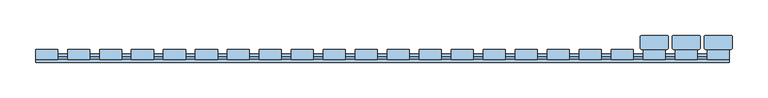
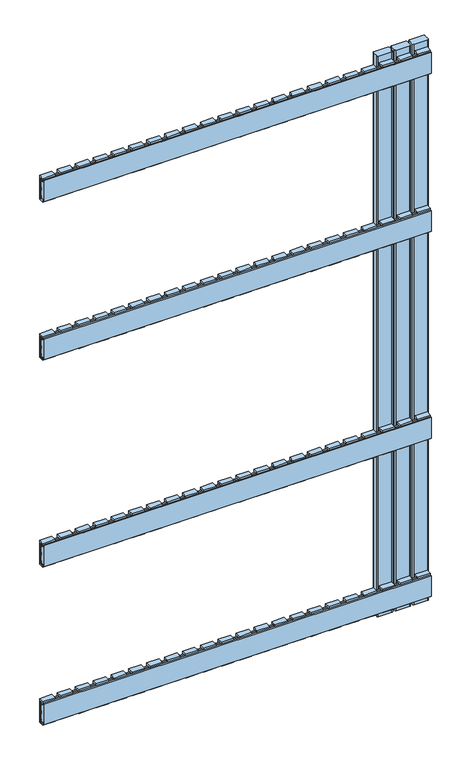
"""IFC4 building model written with IfcOpenShell, lengths in millimetres: window geometry."""

from ifc_helpers import new_model, si_unit, point, frame, frame_2d, origin, place, context, project, spatial, polyline, circle_curve, trimmed, segment, composite_curve, outline, extrude, source, transform, mapped, element, save


def window_9377d5c1(model_context):
    return source(origin(), model_context, "Body", "SweptSolid", [
        extrude(outline(polyline([(24.0, 1147.5936804), (19.8, 1147.5936804), (19.8, 1143.5936804), (16.0, 1143.5936804), (16.0, 1151.5), (29.9, 1151.5), (29.9, 1088.5), (16.0, 1088.5), (16.0, 1096.4063196), (19.8, 1096.4063196), (19.8, 1092.4063196), (24.0, 1092.4063196), (24.0, 1147.5936804)])), frame((412.0, 0.0, 0.0), z_axis=(1.0, 0.0, 0.0), x_axis=(0.0, 1.0, 0.0)), (0.0, 0.0, 1.0), 31.0),
        extrude(outline(polyline([(24.0, 597.5936804), (19.8, 597.5936804), (19.8, 593.5936804), (16.0, 593.5936804), (16.0, 601.5), (29.9, 601.5), (29.9, 538.5), (16.0, 538.5), (16.0, 546.4063196), (19.8, 546.4063196), (19.8, 542.4063196), (24.0, 542.4063196), (24.0, 597.5936804)])), frame((412.0, 0.0, 0.0), z_axis=(1.0, 0.0, 0.0), x_axis=(0.0, 1.0, 0.0)), (0.0, 0.0, 1.0), 31.0),
        extrude(outline(polyline([(24.0, 1512.9063196), (24.0, 1568.0936804), (19.8, 1568.0936804), (19.8, 1564.0936804), (16.0, 1564.0936804), (16.0, 1572.0), (29.9, 1572.0), (29.9, 1509.0), (16.0, 1509.0), (16.0, 1516.9063196), (19.8, 1516.9063196), (19.8, 1512.9063196), (24.0, 1512.9063196)])), frame((412.0, 0.0, 0.0), z_axis=(1.0, 0.0, 0.0), x_axis=(0.0, 1.0, 0.0)), (0.0, 0.0, 1.0), 31.0),
        extrude(outline(polyline([(24.0, 177.0936804), (19.8, 177.0936804), (19.8, 173.0936804), (16.0, 173.0936804), (16.0, 181.0), (29.9, 181.0), (29.9, 118.0), (16.0, 118.0), (16.0, 125.9063196), (19.8, 125.9063196), (19.8, 121.9063196), (24.0, 121.9063196), (24.0, 177.0936804)])), frame((412.0, 0.0, 0.0), z_axis=(1.0, 0.0, 0.0), x_axis=(0.0, 1.0, 0.0)), (0.0, 0.0, 1.0), 31.0),
        extrude(outline(polyline([(24.0, 1147.5936804), (19.8, 1147.5936804), (19.8, 1143.5936804), (16.0, 1143.5936804), (16.0, 1151.5), (29.9, 1151.5), (29.9, 1088.5), (16.0, 1088.5), (16.0, 1096.4063196), (19.8, 1096.4063196), (19.8, 1092.4063196), (24.0, 1092.4063196), (24.0, 1147.5936804)])), frame((367.0, 0.0, 0.0), z_axis=(1.0, 0.0, 0.0), x_axis=(0.0, 1.0, 0.0)), (0.0, 0.0, 1.0), 31.0),
        extrude(outline(polyline([(24.0, 597.5936804), (19.8, 597.5936804), (19.8, 593.5936804), (16.0, 593.5936804), (16.0, 601.5), (29.9, 601.5), (29.9, 538.5), (16.0, 538.5), (16.0, 546.4063196), (19.8, 546.4063196), (19.8, 542.4063196), (24.0, 542.4063196), (24.0, 597.5936804)])), frame((367.0, 0.0, 0.0), z_axis=(1.0, 0.0, 0.0), x_axis=(0.0, 1.0, 0.0)), (0.0, 0.0, 1.0), 31.0),
        extrude(outline(polyline([(24.0, 1512.9063196), (24.0, 1568.0936804), (19.8, 1568.0936804), (19.8, 1564.0936804), (16.0, 1564.0936804), (16.0, 1572.0), (29.9, 1572.0), (29.9, 1509.0), (16.0, 1509.0), (16.0, 1516.9063196), (19.8, 1516.9063196), (19.8, 1512.9063196), (24.0, 1512.9063196)])), frame((367.0, 0.0, 0.0), z_axis=(1.0, 0.0, 0.0), x_axis=(0.0, 1.0, 0.0)), (0.0, 0.0, 1.0), 31.0),
        extrude(outline(polyline([(24.0, 177.0936804), (19.8, 177.0936804), (19.8, 173.0936804), (16.0, 173.0936804), (16.0, 181.0), (29.9, 181.0), (29.9, 118.0), (16.0, 118.0), (16.0, 125.9063196), (19.8, 125.9063196), (19.8, 121.9063196), (24.0, 121.9063196), (24.0, 177.0936804)])), frame((367.0, 0.0, 0.0), z_axis=(1.0, 0.0, 0.0), x_axis=(0.0, 1.0, 0.0)), (0.0, 0.0, 1.0), 31.0),
        extrude(outline(polyline([(24.0, 1147.5936804), (19.8, 1147.5936804), (19.8, 1143.5936804), (16.0, 1143.5936804), (16.0, 1151.5), (29.9, 1151.5), (29.9, 1088.5), (16.0, 1088.5), (16.0, 1096.4063196), (19.8, 1096.4063196), (19.8, 1092.4063196), (24.0, 1092.4063196), (24.0, 1147.5936804)])), frame((322.0, 0.0, 0.0), z_axis=(1.0, 0.0, 0.0), x_axis=(0.0, 1.0, 0.0)), (0.0, 0.0, 1.0), 31.0),
        extrude(outline(polyline([(24.0, 597.5936804), (19.8, 597.5936804), (19.8, 593.5936804), (16.0, 593.5936804), (16.0, 601.5), (29.9, 601.5), (29.9, 538.5), (16.0, 538.5), (16.0, 546.4063196), (19.8, 546.4063196), (19.8, 542.4063196), (24.0, 542.4063196), (24.0, 597.5936804)])), frame((322.0, 0.0, 0.0), z_axis=(1.0, 0.0, 0.0), x_axis=(0.0, 1.0, 0.0)), (0.0, 0.0, 1.0), 31.0),
        extrude(outline(polyline([(24.0, 1512.9063196), (24.0, 1568.0936804), (19.8, 1568.0936804), (19.8, 1564.0936804), (16.0, 1564.0936804), (16.0, 1572.0), (29.9, 1572.0), (29.9, 1509.0), (16.0, 1509.0), (16.0, 1516.9063196), (19.8, 1516.9063196), (19.8, 1512.9063196), (24.0, 1512.9063196)])), frame((322.0, 0.0, 0.0), z_axis=(1.0, 0.0, 0.0), x_axis=(0.0, 1.0, 0.0)), (0.0, 0.0, 1.0), 31.0),
        extrude(outline(polyline([(24.0, 177.0936804), (19.8, 177.0936804), (19.8, 173.0936804), (16.0, 173.0936804), (16.0, 181.0), (29.9, 181.0), (29.9, 118.0), (16.0, 118.0), (16.0, 125.9063196), (19.8, 125.9063196), (19.8, 121.9063196), (24.0, 121.9063196), (24.0, 177.0936804)])), frame((322.0, 0.0, 0.0), z_axis=(1.0, 0.0, 0.0), x_axis=(0.0, 1.0, 0.0)), (0.0, 0.0, 1.0), 31.0),
        extrude(outline(polyline([(24.0, 1147.5936804), (19.8, 1147.5936804), (19.8, 1143.5936804), (16.0, 1143.5936804), (16.0, 1151.5), (29.9, 1151.5), (29.9, 1088.5), (16.0, 1088.5), (16.0, 1096.4063196), (19.8, 1096.4063196), (19.8, 1092.4063196), (24.0, 1092.4063196), (24.0, 1147.5936804)])), frame((277.0, 0.0, 0.0), z_axis=(1.0, 0.0, 0.0), x_axis=(0.0, 1.0, 0.0)), (0.0, 0.0, 1.0), 31.0),
        extrude(outline(polyline([(24.0, 597.5936804), (19.8, 597.5936804), (19.8, 593.5936804), (16.0, 593.5936804), (16.0, 601.5), (29.9, 601.5), (29.9, 538.5), (16.0, 538.5), (16.0, 546.4063196), (19.8, 546.4063196), (19.8, 542.4063196), (24.0, 542.4063196), (24.0, 597.5936804)])), frame((277.0, 0.0, 0.0), z_axis=(1.0, 0.0, 0.0), x_axis=(0.0, 1.0, 0.0)), (0.0, 0.0, 1.0), 31.0),
        extrude(outline(polyline([(24.0, 1512.9063196), (24.0, 1568.0936804), (19.8, 1568.0936804), (19.8, 1564.0936804), (16.0, 1564.0936804), (16.0, 1572.0), (29.9, 1572.0), (29.9, 1509.0), (16.0, 1509.0), (16.0, 1516.9063196), (19.8, 1516.9063196), (19.8, 1512.9063196), (24.0, 1512.9063196)])), frame((277.0, 0.0, 0.0), z_axis=(1.0, 0.0, 0.0), x_axis=(0.0, 1.0, 0.0)), (0.0, 0.0, 1.0), 31.0),
        extrude(outline(polyline([(24.0, 177.0936804), (19.8, 177.0936804), (19.8, 173.0936804), (16.0, 173.0936804), (16.0, 181.0), (29.9, 181.0), (29.9, 118.0), (16.0, 118.0), (16.0, 125.9063196), (19.8, 125.9063196), (19.8, 121.9063196), (24.0, 121.9063196), (24.0, 177.0936804)])), frame((277.0, 0.0, 0.0), z_axis=(1.0, 0.0, 0.0), x_axis=(0.0, 1.0, 0.0)), (0.0, 0.0, 1.0), 31.0),
        extrude(outline(polyline([(24.0, 1147.5936804), (19.8, 1147.5936804), (19.8, 1143.5936804), (16.0, 1143.5936804), (16.0, 1151.5), (29.9, 1151.5), (29.9, 1088.5), (16.0, 1088.5), (16.0, 1096.4063196), (19.8, 1096.4063196), (19.8, 1092.4063196), (24.0, 1092.4063196), (24.0, 1147.5936804)])), frame((232.0, 0.0, 0.0), z_axis=(1.0, 0.0, 0.0), x_axis=(0.0, 1.0, 0.0)), (0.0, 0.0, 1.0), 31.0),
        extrude(outline(polyline([(24.0, 597.5936804), (19.8, 597.5936804), (19.8, 593.5936804), (16.0, 593.5936804), (16.0, 601.5), (29.9, 601.5), (29.9, 538.5), (16.0, 538.5), (16.0, 546.4063196), (19.8, 546.4063196), (19.8, 542.4063196), (24.0, 542.4063196), (24.0, 597.5936804)])), frame((232.0, 0.0, 0.0), z_axis=(1.0, 0.0, 0.0), x_axis=(0.0, 1.0, 0.0)), (0.0, 0.0, 1.0), 31.0),
        extrude(outline(polyline([(24.0, 1512.9063196), (24.0, 1568.0936804), (19.8, 1568.0936804), (19.8, 1564.0936804), (16.0, 1564.0936804), (16.0, 1572.0), (29.9, 1572.0), (29.9, 1509.0), (16.0, 1509.0), (16.0, 1516.9063196), (19.8, 1516.9063196), (19.8, 1512.9063196), (24.0, 1512.9063196)])), frame((232.0, 0.0, 0.0), z_axis=(1.0, 0.0, 0.0), x_axis=(0.0, 1.0, 0.0)), (0.0, 0.0, 1.0), 31.0),
        extrude(outline(polyline([(24.0, 177.0936804), (19.8, 177.0936804), (19.8, 173.0936804), (16.0, 173.0936804), (16.0, 181.0), (29.9, 181.0), (29.9, 118.0), (16.0, 118.0), (16.0, 125.9063196), (19.8, 125.9063196), (19.8, 121.9063196), (24.0, 121.9063196), (24.0, 177.0936804)])), frame((232.0, 0.0, 0.0), z_axis=(1.0, 0.0, 0.0), x_axis=(0.0, 1.0, 0.0)), (0.0, 0.0, 1.0), 31.0),
        extrude(outline(polyline([(24.0, 1147.5936804), (19.8, 1147.5936804), (19.8, 1143.5936804), (16.0, 1143.5936804), (16.0, 1151.5), (29.9, 1151.5), (29.9, 1088.5), (16.0, 1088.5), (16.0, 1096.4063196), (19.8, 1096.4063196), (19.8, 1092.4063196), (24.0, 1092.4063196), (24.0, 1147.5936804)])), frame((187.0, 0.0, 0.0), z_axis=(1.0, 0.0, 0.0), x_axis=(0.0, 1.0, 0.0)), (0.0, 0.0, 1.0), 31.0),
        extrude(outline(polyline([(24.0, 597.5936804), (19.8, 597.5936804), (19.8, 593.5936804), (16.0, 593.5936804), (16.0, 601.5), (29.9, 601.5), (29.9, 538.5), (16.0, 538.5), (16.0, 546.4063196), (19.8, 546.4063196), (19.8, 542.4063196), (24.0, 542.4063196), (24.0, 597.5936804)])), frame((187.0, 0.0, 0.0), z_axis=(1.0, 0.0, 0.0), x_axis=(0.0, 1.0, 0.0)), (0.0, 0.0, 1.0), 31.0),
        extrude(outline(polyline([(24.0, 1512.9063196), (24.0, 1568.0936804), (19.8, 1568.0936804), (19.8, 1564.0936804), (16.0, 1564.0936804), (16.0, 1572.0), (29.9, 1572.0), (29.9, 1509.0), (16.0, 1509.0), (16.0, 1516.9063196), (19.8, 1516.9063196), (19.8, 1512.9063196), (24.0, 1512.9063196)])), frame((187.0, 0.0, 0.0), z_axis=(1.0, 0.0, 0.0), x_axis=(0.0, 1.0, 0.0)), (0.0, 0.0, 1.0), 31.0),
        extrude(outline(polyline([(24.0, 177.0936804), (19.8, 177.0936804), (19.8, 173.0936804), (16.0, 173.0936804), (16.0, 181.0), (29.9, 181.0), (29.9, 118.0), (16.0, 118.0), (16.0, 125.9063196), (19.8, 125.9063196), (19.8, 121.9063196), (24.0, 121.9063196), (24.0, 177.0936804)])), frame((187.0, 0.0, 0.0), z_axis=(1.0, 0.0, 0.0), x_axis=(0.0, 1.0, 0.0)), (0.0, 0.0, 1.0), 31.0),
        extrude(outline(polyline([(24.0, 1147.5936804), (19.8, 1147.5936804), (19.8, 1143.5936804), (16.0, 1143.5936804), (16.0, 1151.5), (29.9, 1151.5), (29.9, 1088.5), (16.0, 1088.5), (16.0, 1096.4063196), (19.8, 1096.4063196), (19.8, 1092.4063196), (24.0, 1092.4063196), (24.0, 1147.5936804)])), frame((142.0, 0.0, 0.0), z_axis=(1.0, 0.0, 0.0), x_axis=(0.0, 1.0, 0.0)), (0.0, 0.0, 1.0), 31.0),
        extrude(outline(polyline([(24.0, 597.5936804), (19.8, 597.5936804), (19.8, 593.5936804), (16.0, 593.5936804), (16.0, 601.5), (29.9, 601.5), (29.9, 538.5), (16.0, 538.5), (16.0, 546.4063196), (19.8, 546.4063196), (19.8, 542.4063196), (24.0, 542.4063196), (24.0, 597.5936804)])), frame((142.0, 0.0, 0.0), z_axis=(1.0, 0.0, 0.0), x_axis=(0.0, 1.0, 0.0)), (0.0, 0.0, 1.0), 31.0),
        extrude(outline(polyline([(24.0, 1512.9063196), (24.0, 1568.0936804), (19.8, 1568.0936804), (19.8, 1564.0936804), (16.0, 1564.0936804), (16.0, 1572.0), (29.9, 1572.0), (29.9, 1509.0), (16.0, 1509.0), (16.0, 1516.9063196), (19.8, 1516.9063196), (19.8, 1512.9063196), (24.0, 1512.9063196)])), frame((142.0, 0.0, 0.0), z_axis=(1.0, 0.0, 0.0), x_axis=(0.0, 1.0, 0.0)), (0.0, 0.0, 1.0), 31.0),
        extrude(outline(polyline([(24.0, 177.0936804), (19.8, 177.0936804), (19.8, 173.0936804), (16.0, 173.0936804), (16.0, 181.0), (29.9, 181.0), (29.9, 118.0), (16.0, 118.0), (16.0, 125.9063196), (19.8, 125.9063196), (19.8, 121.9063196), (24.0, 121.9063196), (24.0, 177.0936804)])), frame((142.0, 0.0, 0.0), z_axis=(1.0, 0.0, 0.0), x_axis=(0.0, 1.0, 0.0)), (0.0, 0.0, 1.0), 31.0),
        extrude(outline(polyline([(24.0, 1147.5936804), (19.8, 1147.5936804), (19.8, 1143.5936804), (16.0, 1143.5936804), (16.0, 1151.5), (29.9, 1151.5), (29.9, 1088.5), (16.0, 1088.5), (16.0, 1096.4063196), (19.8, 1096.4063196), (19.8, 1092.4063196), (24.0, 1092.4063196), (24.0, 1147.5936804)])), frame((97.0, 0.0, 0.0), z_axis=(1.0, 0.0, 0.0), x_axis=(0.0, 1.0, 0.0)), (0.0, 0.0, 1.0), 31.0),
        extrude(outline(polyline([(24.0, 597.5936804), (19.8, 597.5936804), (19.8, 593.5936804), (16.0, 593.5936804), (16.0, 601.5), (29.9, 601.5), (29.9, 538.5), (16.0, 538.5), (16.0, 546.4063196), (19.8, 546.4063196), (19.8, 542.4063196), (24.0, 542.4063196), (24.0, 597.5936804)])), frame((97.0, 0.0, 0.0), z_axis=(1.0, 0.0, 0.0), x_axis=(0.0, 1.0, 0.0)), (0.0, 0.0, 1.0), 31.0),
        extrude(outline(polyline([(24.0, 1512.9063196), (24.0, 1568.0936804), (19.8, 1568.0936804), (19.8, 1564.0936804), (16.0, 1564.0936804), (16.0, 1572.0), (29.9, 1572.0), (29.9, 1509.0), (16.0, 1509.0), (16.0, 1516.9063196), (19.8, 1516.9063196), (19.8, 1512.9063196), (24.0, 1512.9063196)])), frame((97.0, 0.0, 0.0), z_axis=(1.0, 0.0, 0.0), x_axis=(0.0, 1.0, 0.0)), (0.0, 0.0, 1.0), 31.0),
        extrude(outline(polyline([(24.0, 177.0936804), (19.8, 177.0936804), (19.8, 173.0936804), (16.0, 173.0936804), (16.0, 181.0), (29.9, 181.0), (29.9, 118.0), (16.0, 118.0), (16.0, 125.9063196), (19.8, 125.9063196), (19.8, 121.9063196), (24.0, 121.9063196), (24.0, 177.0936804)])), frame((97.0, 0.0, 0.0), z_axis=(1.0, 0.0, 0.0), x_axis=(0.0, 1.0, 0.0)), (0.0, 0.0, 1.0), 31.0),
        extrude(outline(polyline([(24.0, 1147.5936804), (19.8, 1147.5936804), (19.8, 1143.5936804), (16.0, 1143.5936804), (16.0, 1151.5), (29.9, 1151.5), (29.9, 1088.5), (16.0, 1088.5), (16.0, 1096.4063196), (19.8, 1096.4063196), (19.8, 1092.4063196), (24.0, 1092.4063196), (24.0, 1147.5936804)])), frame((52.0, 0.0, 0.0), z_axis=(1.0, 0.0, 0.0), x_axis=(0.0, 1.0, 0.0)), (0.0, 0.0, 1.0), 31.0),
        extrude(outline(polyline([(24.0, 597.5936804), (19.8, 597.5936804), (19.8, 593.5936804), (16.0, 593.5936804), (16.0, 601.5), (29.9, 601.5), (29.9, 538.5), (16.0, 538.5), (16.0, 546.4063196), (19.8, 546.4063196), (19.8, 542.4063196), (24.0, 542.4063196), (24.0, 597.5936804)])), frame((52.0, 0.0, 0.0), z_axis=(1.0, 0.0, 0.0), x_axis=(0.0, 1.0, 0.0)), (0.0, 0.0, 1.0), 31.0),
        extrude(outline(polyline([(24.0, 1512.9063196), (24.0, 1568.0936804), (19.8, 1568.0936804), (19.8, 1564.0936804), (16.0, 1564.0936804), (16.0, 1572.0), (29.9, 1572.0), (29.9, 1509.0), (16.0, 1509.0), (16.0, 1516.9063196), (19.8, 1516.9063196), (19.8, 1512.9063196), (24.0, 1512.9063196)])), frame((52.0, 0.0, 0.0), z_axis=(1.0, 0.0, 0.0), x_axis=(0.0, 1.0, 0.0)), (0.0, 0.0, 1.0), 31.0),
        extrude(outline(polyline([(24.0, 177.0936804), (19.8, 177.0936804), (19.8, 173.0936804), (16.0, 173.0936804), (16.0, 181.0), (29.9, 181.0), (29.9, 118.0), (16.0, 118.0), (16.0, 125.9063196), (19.8, 125.9063196), (19.8, 121.9063196), (24.0, 121.9063196), (24.0, 177.0936804)])), frame((52.0, 0.0, 0.0), z_axis=(1.0, 0.0, 0.0), x_axis=(0.0, 1.0, 0.0)), (0.0, 0.0, 1.0), 31.0),
        extrude(outline(polyline([(24.0, 1147.5936804), (19.8, 1147.5936804), (19.8, 1143.5936804), (16.0, 1143.5936804), (16.0, 1151.5), (29.9, 1151.5), (29.9, 1088.5), (16.0, 1088.5), (16.0, 1096.4063196), (19.8, 1096.4063196), (19.8, 1092.4063196), (24.0, 1092.4063196), (24.0, 1147.5936804)])), frame((7.0, 0.0, 0.0), z_axis=(1.0, 0.0, 0.0), x_axis=(0.0, 1.0, 0.0)), (0.0, 0.0, 1.0), 31.0),
        extrude(outline(polyline([(24.0, 597.5936804), (19.8, 597.5936804), (19.8, 593.5936804), (16.0, 593.5936804), (16.0, 601.5), (29.9, 601.5), (29.9, 538.5), (16.0, 538.5), (16.0, 546.4063196), (19.8, 546.4063196), (19.8, 542.4063196), (24.0, 542.4063196), (24.0, 597.5936804)])), frame((7.0, 0.0, 0.0), z_axis=(1.0, 0.0, 0.0), x_axis=(0.0, 1.0, 0.0)), (0.0, 0.0, 1.0), 31.0),
        extrude(outline(polyline([(24.0, 1512.9063196), (24.0, 1568.0936804), (19.8, 1568.0936804), (19.8, 1564.0936804), (16.0, 1564.0936804), (16.0, 1572.0), (29.9, 1572.0), (29.9, 1509.0), (16.0, 1509.0), (16.0, 1516.9063196), (19.8, 1516.9063196), (19.8, 1512.9063196), (24.0, 1512.9063196)])), frame((7.0, 0.0, 0.0), z_axis=(1.0, 0.0, 0.0), x_axis=(0.0, 1.0, 0.0)), (0.0, 0.0, 1.0), 31.0),
        extrude(outline(polyline([(24.0, 177.0936804), (19.8, 177.0936804), (19.8, 173.0936804), (16.0, 173.0936804), (16.0, 181.0), (29.9, 181.0), (29.9, 118.0), (16.0, 118.0), (16.0, 125.9063196), (19.8, 125.9063196), (19.8, 121.9063196), (24.0, 121.9063196), (24.0, 177.0936804)])), frame((7.0, 0.0, 0.0), z_axis=(1.0, 0.0, 0.0), x_axis=(0.0, 1.0, 0.0)), (0.0, 0.0, 1.0), 31.0),
        extrude(outline(polyline([(24.0, 1147.5936804), (19.8, 1147.5936804), (19.8, 1143.5936804), (16.0, 1143.5936804), (16.0, 1151.5), (29.9, 1151.5), (29.9, 1088.5), (16.0, 1088.5), (16.0, 1096.4063196), (19.8, 1096.4063196), (19.8, 1092.4063196), (24.0, 1092.4063196), (24.0, 1147.5936804)])), frame((-38.0, 0.0, 0.0), z_axis=(1.0, 0.0, 0.0), x_axis=(0.0, 1.0, 0.0)), (0.0, 0.0, 1.0), 31.0),
        extrude(outline(polyline([(24.0, 597.5936804), (19.8, 597.5936804), (19.8, 593.5936804), (16.0, 593.5936804), (16.0, 601.5), (29.9, 601.5), (29.9, 538.5), (16.0, 538.5), (16.0, 546.4063196), (19.8, 546.4063196), (19.8, 542.4063196), (24.0, 542.4063196), (24.0, 597.5936804)])), frame((-38.0, 0.0, 0.0), z_axis=(1.0, 0.0, 0.0), x_axis=(0.0, 1.0, 0.0)), (0.0, 0.0, 1.0), 31.0),
        extrude(outline(polyline([(24.0, 1512.9063196), (24.0, 1568.0936804), (19.8, 1568.0936804), (19.8, 1564.0936804), (16.0, 1564.0936804), (16.0, 1572.0), (29.9, 1572.0), (29.9, 1509.0), (16.0, 1509.0), (16.0, 1516.9063196), (19.8, 1516.9063196), (19.8, 1512.9063196), (24.0, 1512.9063196)])), frame((-38.0, 0.0, 0.0), z_axis=(1.0, 0.0, 0.0), x_axis=(0.0, 1.0, 0.0)), (0.0, 0.0, 1.0), 31.0),
        extrude(outline(polyline([(24.0, 177.0936804), (19.8, 177.0936804), (19.8, 173.0936804), (16.0, 173.0936804), (16.0, 181.0), (29.9, 181.0), (29.9, 118.0), (16.0, 118.0), (16.0, 125.9063196), (19.8, 125.9063196), (19.8, 121.9063196), (24.0, 121.9063196), (24.0, 177.0936804)])), frame((-38.0, 0.0, 0.0), z_axis=(1.0, 0.0, 0.0), x_axis=(0.0, 1.0, 0.0)), (0.0, 0.0, 1.0), 31.0),
        extrude(outline(polyline([(24.0, 1147.5936804), (19.8, 1147.5936804), (19.8, 1143.5936804), (16.0, 1143.5936804), (16.0, 1151.5), (29.9, 1151.5), (29.9, 1088.5), (16.0, 1088.5), (16.0, 1096.4063196), (19.8, 1096.4063196), (19.8, 1092.4063196), (24.0, 1092.4063196), (24.0, 1147.5936804)])), frame((-83.0, 0.0, 0.0), z_axis=(1.0, 0.0, 0.0), x_axis=(0.0, 1.0, 0.0)), (0.0, 0.0, 1.0), 31.0),
        extrude(outline(polyline([(24.0, 597.5936804), (19.8, 597.5936804), (19.8, 593.5936804), (16.0, 593.5936804), (16.0, 601.5), (29.9, 601.5), (29.9, 538.5), (16.0, 538.5), (16.0, 546.4063196), (19.8, 546.4063196), (19.8, 542.4063196), (24.0, 542.4063196), (24.0, 597.5936804)])), frame((-83.0, 0.0, 0.0), z_axis=(1.0, 0.0, 0.0), x_axis=(0.0, 1.0, 0.0)), (0.0, 0.0, 1.0), 31.0),
        extrude(outline(polyline([(24.0, 1512.9063196), (24.0, 1568.0936804), (19.8, 1568.0936804), (19.8, 1564.0936804), (16.0, 1564.0936804), (16.0, 1572.0), (29.9, 1572.0), (29.9, 1509.0), (16.0, 1509.0), (16.0, 1516.9063196), (19.8, 1516.9063196), (19.8, 1512.9063196), (24.0, 1512.9063196)])), frame((-83.0, 0.0, 0.0), z_axis=(1.0, 0.0, 0.0), x_axis=(0.0, 1.0, 0.0)), (0.0, 0.0, 1.0), 31.0),
        extrude(outline(polyline([(24.0, 177.0936804), (19.8, 177.0936804), (19.8, 173.0936804), (16.0, 173.0936804), (16.0, 181.0), (29.9, 181.0), (29.9, 118.0), (16.0, 118.0), (16.0, 125.9063196), (19.8, 125.9063196), (19.8, 121.9063196), (24.0, 121.9063196), (24.0, 177.0936804)])), frame((-83.0, 0.0, 0.0), z_axis=(1.0, 0.0, 0.0), x_axis=(0.0, 1.0, 0.0)), (0.0, 0.0, 1.0), 31.0),
        extrude(outline(polyline([(24.0, 1147.5936804), (19.8, 1147.5936804), (19.8, 1143.5936804), (16.0, 1143.5936804), (16.0, 1151.5), (29.9, 1151.5), (29.9, 1088.5), (16.0, 1088.5), (16.0, 1096.4063196), (19.8, 1096.4063196), (19.8, 1092.4063196), (24.0, 1092.4063196), (24.0, 1147.5936804)])), frame((-128.0, 0.0, 0.0), z_axis=(1.0, 0.0, 0.0), x_axis=(0.0, 1.0, 0.0)), (0.0, 0.0, 1.0), 31.0),
        extrude(outline(polyline([(24.0, 597.5936804), (19.8, 597.5936804), (19.8, 593.5936804), (16.0, 593.5936804), (16.0, 601.5), (29.9, 601.5), (29.9, 538.5), (16.0, 538.5), (16.0, 546.4063196), (19.8, 546.4063196), (19.8, 542.4063196), (24.0, 542.4063196), (24.0, 597.5936804)])), frame((-128.0, 0.0, 0.0), z_axis=(1.0, 0.0, 0.0), x_axis=(0.0, 1.0, 0.0)), (0.0, 0.0, 1.0), 31.0),
        extrude(outline(polyline([(24.0, 1512.9063196), (24.0, 1568.0936804), (19.8, 1568.0936804), (19.8, 1564.0936804), (16.0, 1564.0936804), (16.0, 1572.0), (29.9, 1572.0), (29.9, 1509.0), (16.0, 1509.0), (16.0, 1516.9063196), (19.8, 1516.9063196), (19.8, 1512.9063196), (24.0, 1512.9063196)])), frame((-128.0, 0.0, 0.0), z_axis=(1.0, 0.0, 0.0), x_axis=(0.0, 1.0, 0.0)), (0.0, 0.0, 1.0), 31.0),
        extrude(outline(polyline([(24.0, 177.0936804), (19.8, 177.0936804), (19.8, 173.0936804), (16.0, 173.0936804), (16.0, 181.0), (29.9, 181.0), (29.9, 118.0), (16.0, 118.0), (16.0, 125.9063196), (19.8, 125.9063196), (19.8, 121.9063196), (24.0, 121.9063196), (24.0, 177.0936804)])), frame((-128.0, 0.0, 0.0), z_axis=(1.0, 0.0, 0.0), x_axis=(0.0, 1.0, 0.0)), (0.0, 0.0, 1.0), 31.0),
        extrude(outline(polyline([(24.0, 1147.5936804), (19.8, 1147.5936804), (19.8, 1143.5936804), (16.0, 1143.5936804), (16.0, 1151.5), (29.9, 1151.5), (29.9, 1088.5), (16.0, 1088.5), (16.0, 1096.4063196), (19.8, 1096.4063196), (19.8, 1092.4063196), (24.0, 1092.4063196), (24.0, 1147.5936804)])), frame((-173.0, 0.0, 0.0), z_axis=(1.0, 0.0, 0.0), x_axis=(0.0, 1.0, 0.0)), (0.0, 0.0, 1.0), 31.0),
        extrude(outline(polyline([(24.0, 597.5936804), (19.8, 597.5936804), (19.8, 593.5936804), (16.0, 593.5936804), (16.0, 601.5), (29.9, 601.5), (29.9, 538.5), (16.0, 538.5), (16.0, 546.4063196), (19.8, 546.4063196), (19.8, 542.4063196), (24.0, 542.4063196), (24.0, 597.5936804)])), frame((-173.0, 0.0, 0.0), z_axis=(1.0, 0.0, 0.0), x_axis=(0.0, 1.0, 0.0)), (0.0, 0.0, 1.0), 31.0),
        extrude(outline(polyline([(24.0, 1512.9063196), (24.0, 1568.0936804), (19.8, 1568.0936804), (19.8, 1564.0936804), (16.0, 1564.0936804), (16.0, 1572.0), (29.9, 1572.0), (29.9, 1509.0), (16.0, 1509.0), (16.0, 1516.9063196), (19.8, 1516.9063196), (19.8, 1512.9063196), (24.0, 1512.9063196)])), frame((-173.0, 0.0, 0.0), z_axis=(1.0, 0.0, 0.0), x_axis=(0.0, 1.0, 0.0)), (0.0, 0.0, 1.0), 31.0),
        extrude(outline(polyline([(24.0, 177.0936804), (19.8, 177.0936804), (19.8, 173.0936804), (16.0, 173.0936804), (16.0, 181.0), (29.9, 181.0), (29.9, 118.0), (16.0, 118.0), (16.0, 125.9063196), (19.8, 125.9063196), (19.8, 121.9063196), (24.0, 121.9063196), (24.0, 177.0936804)])), frame((-173.0, 0.0, 0.0), z_axis=(1.0, 0.0, 0.0), x_axis=(0.0, 1.0, 0.0)), (0.0, 0.0, 1.0), 31.0),
        extrude(outline(polyline([(24.0, 1147.5936804), (19.8, 1147.5936804), (19.8, 1143.5936804), (16.0, 1143.5936804), (16.0, 1151.5), (29.9, 1151.5), (29.9, 1088.5), (16.0, 1088.5), (16.0, 1096.4063196), (19.8, 1096.4063196), (19.8, 1092.4063196), (24.0, 1092.4063196), (24.0, 1147.5936804)])), frame((-218.0, 0.0, 0.0), z_axis=(1.0, 0.0, 0.0), x_axis=(0.0, 1.0, 0.0)), (0.0, 0.0, 1.0), 31.0),
        extrude(outline(polyline([(24.0, 597.5936804), (19.8, 597.5936804), (19.8, 593.5936804), (16.0, 593.5936804), (16.0, 601.5), (29.9, 601.5), (29.9, 538.5), (16.0, 538.5), (16.0, 546.4063196), (19.8, 546.4063196), (19.8, 542.4063196), (24.0, 542.4063196), (24.0, 597.5936804)])), frame((-218.0, 0.0, 0.0), z_axis=(1.0, 0.0, 0.0), x_axis=(0.0, 1.0, 0.0)), (0.0, 0.0, 1.0), 31.0),
        extrude(outline(polyline([(24.0, 1512.9063196), (24.0, 1568.0936804), (19.8, 1568.0936804), (19.8, 1564.0936804), (16.0, 1564.0936804), (16.0, 1572.0), (29.9, 1572.0), (29.9, 1509.0), (16.0, 1509.0), (16.0, 1516.9063196), (19.8, 1516.9063196), (19.8, 1512.9063196), (24.0, 1512.9063196)])), frame((-218.0, 0.0, 0.0), z_axis=(1.0, 0.0, 0.0), x_axis=(0.0, 1.0, 0.0)), (0.0, 0.0, 1.0), 31.0),
        extrude(outline(polyline([(24.0, 177.0936804), (19.8, 177.0936804), (19.8, 173.0936804), (16.0, 173.0936804), (16.0, 181.0), (29.9, 181.0), (29.9, 118.0), (16.0, 118.0), (16.0, 125.9063196), (19.8, 125.9063196), (19.8, 121.9063196), (24.0, 121.9063196), (24.0, 177.0936804)])), frame((-218.0, 0.0, 0.0), z_axis=(1.0, 0.0, 0.0), x_axis=(0.0, 1.0, 0.0)), (0.0, 0.0, 1.0), 31.0),
        extrude(outline(polyline([(24.0, 1147.5936804), (19.8, 1147.5936804), (19.8, 1143.5936804), (16.0, 1143.5936804), (16.0, 1151.5), (29.9, 1151.5), (29.9, 1088.5), (16.0, 1088.5), (16.0, 1096.4063196), (19.8, 1096.4063196), (19.8, 1092.4063196), (24.0, 1092.4063196), (24.0, 1147.5936804)])), frame((-263.0, 0.0, 0.0), z_axis=(1.0, 0.0, 0.0), x_axis=(0.0, 1.0, 0.0)), (0.0, 0.0, 1.0), 31.0),
        extrude(outline(polyline([(24.0, 597.5936804), (19.8, 597.5936804), (19.8, 593.5936804), (16.0, 593.5936804), (16.0, 601.5), (29.9, 601.5), (29.9, 538.5), (16.0, 538.5), (16.0, 546.4063196), (19.8, 546.4063196), (19.8, 542.4063196), (24.0, 542.4063196), (24.0, 597.5936804)])), frame((-263.0, 0.0, 0.0), z_axis=(1.0, 0.0, 0.0), x_axis=(0.0, 1.0, 0.0)), (0.0, 0.0, 1.0), 31.0),
        extrude(outline(polyline([(24.0, 1512.9063196), (24.0, 1568.0936804), (19.8, 1568.0936804), (19.8, 1564.0936804), (16.0, 1564.0936804), (16.0, 1572.0), (29.9, 1572.0), (29.9, 1509.0), (16.0, 1509.0), (16.0, 1516.9063196), (19.8, 1516.9063196), (19.8, 1512.9063196), (24.0, 1512.9063196)])), frame((-263.0, 0.0, 0.0), z_axis=(1.0, 0.0, 0.0), x_axis=(0.0, 1.0, 0.0)), (0.0, 0.0, 1.0), 31.0),
        extrude(outline(polyline([(24.0, 177.0936804), (19.8, 177.0936804), (19.8, 173.0936804), (16.0, 173.0936804), (16.0, 181.0), (29.9, 181.0), (29.9, 118.0), (16.0, 118.0), (16.0, 125.9063196), (19.8, 125.9063196), (19.8, 121.9063196), (24.0, 121.9063196), (24.0, 177.0936804)])), frame((-263.0, 0.0, 0.0), z_axis=(1.0, 0.0, 0.0), x_axis=(0.0, 1.0, 0.0)), (0.0, 0.0, 1.0), 31.0),
        extrude(outline(polyline([(24.0, 1147.5936804), (19.8, 1147.5936804), (19.8, 1143.5936804), (16.0, 1143.5936804), (16.0, 1151.5), (29.9, 1151.5), (29.9, 1088.5), (16.0, 1088.5), (16.0, 1096.4063196), (19.8, 1096.4063196), (19.8, 1092.4063196), (24.0, 1092.4063196), (24.0, 1147.5936804)])), frame((-308.0, 0.0, 0.0), z_axis=(1.0, 0.0, 0.0), x_axis=(0.0, 1.0, 0.0)), (0.0, 0.0, 1.0), 31.0),
        extrude(outline(polyline([(24.0, 597.5936804), (19.8, 597.5936804), (19.8, 593.5936804), (16.0, 593.5936804), (16.0, 601.5), (29.9, 601.5), (29.9, 538.5), (16.0, 538.5), (16.0, 546.4063196), (19.8, 546.4063196), (19.8, 542.4063196), (24.0, 542.4063196), (24.0, 597.5936804)])), frame((-308.0, 0.0, 0.0), z_axis=(1.0, 0.0, 0.0), x_axis=(0.0, 1.0, 0.0)), (0.0, 0.0, 1.0), 31.0),
        extrude(outline(polyline([(24.0, 1512.9063196), (24.0, 1568.0936804), (19.8, 1568.0936804), (19.8, 1564.0936804), (16.0, 1564.0936804), (16.0, 1572.0), (29.9, 1572.0), (29.9, 1509.0), (16.0, 1509.0), (16.0, 1516.9063196), (19.8, 1516.9063196), (19.8, 1512.9063196), (24.0, 1512.9063196)])), frame((-308.0, 0.0, 0.0), z_axis=(1.0, 0.0, 0.0), x_axis=(0.0, 1.0, 0.0)), (0.0, 0.0, 1.0), 31.0),
        extrude(outline(polyline([(24.0, 177.0936804), (19.8, 177.0936804), (19.8, 173.0936804), (16.0, 173.0936804), (16.0, 181.0), (29.9, 181.0), (29.9, 118.0), (16.0, 118.0), (16.0, 125.9063196), (19.8, 125.9063196), (19.8, 121.9063196), (24.0, 121.9063196), (24.0, 177.0936804)])), frame((-308.0, 0.0, 0.0), z_axis=(1.0, 0.0, 0.0), x_axis=(0.0, 1.0, 0.0)), (0.0, 0.0, 1.0), 31.0),
        extrude(outline(polyline([(24.0, 1147.5936804), (19.8, 1147.5936804), (19.8, 1143.5936804), (16.0, 1143.5936804), (16.0, 1151.5), (29.9, 1151.5), (29.9, 1088.5), (16.0, 1088.5), (16.0, 1096.4063196), (19.8, 1096.4063196), (19.8, 1092.4063196), (24.0, 1092.4063196), (24.0, 1147.5936804)])), frame((-353.0, 0.0, 0.0), z_axis=(1.0, 0.0, 0.0), x_axis=(0.0, 1.0, 0.0)), (0.0, 0.0, 1.0), 31.0),
        extrude(outline(polyline([(24.0, 597.5936804), (19.8, 597.5936804), (19.8, 593.5936804), (16.0, 593.5936804), (16.0, 601.5), (29.9, 601.5), (29.9, 538.5), (16.0, 538.5), (16.0, 546.4063196), (19.8, 546.4063196), (19.8, 542.4063196), (24.0, 542.4063196), (24.0, 597.5936804)])), frame((-353.0, 0.0, 0.0), z_axis=(1.0, 0.0, 0.0), x_axis=(0.0, 1.0, 0.0)), (0.0, 0.0, 1.0), 31.0),
        extrude(outline(polyline([(24.0, 1512.9063196), (24.0, 1568.0936804), (19.8, 1568.0936804), (19.8, 1564.0936804), (16.0, 1564.0936804), (16.0, 1572.0), (29.9, 1572.0), (29.9, 1509.0), (16.0, 1509.0), (16.0, 1516.9063196), (19.8, 1516.9063196), (19.8, 1512.9063196), (24.0, 1512.9063196)])), frame((-353.0, 0.0, 0.0), z_axis=(1.0, 0.0, 0.0), x_axis=(0.0, 1.0, 0.0)), (0.0, 0.0, 1.0), 31.0),
        extrude(outline(polyline([(24.0, 177.0936804), (19.8, 177.0936804), (19.8, 173.0936804), (16.0, 173.0936804), (16.0, 181.0), (29.9, 181.0), (29.9, 118.0), (16.0, 118.0), (16.0, 125.9063196), (19.8, 125.9063196), (19.8, 121.9063196), (24.0, 121.9063196), (24.0, 177.0936804)])), frame((-353.0, 0.0, 0.0), z_axis=(1.0, 0.0, 0.0), x_axis=(0.0, 1.0, 0.0)), (0.0, 0.0, 1.0), 31.0),
        extrude(outline(polyline([(24.0, 1147.5936804), (19.8, 1147.5936804), (19.8, 1143.5936804), (16.0, 1143.5936804), (16.0, 1151.5), (29.9, 1151.5), (29.9, 1088.5), (16.0, 1088.5), (16.0, 1096.4063196), (19.8, 1096.4063196), (19.8, 1092.4063196), (24.0, 1092.4063196), (24.0, 1147.5936804)])), frame((-398.0, 0.0, 0.0), z_axis=(1.0, 0.0, 0.0), x_axis=(0.0, 1.0, 0.0)), (0.0, 0.0, 1.0), 31.0),
        extrude(outline(polyline([(24.0, 597.5936804), (19.8, 597.5936804), (19.8, 593.5936804), (16.0, 593.5936804), (16.0, 601.5), (29.9, 601.5), (29.9, 538.5), (16.0, 538.5), (16.0, 546.4063196), (19.8, 546.4063196), (19.8, 542.4063196), (24.0, 542.4063196), (24.0, 597.5936804)])), frame((-398.0, 0.0, 0.0), z_axis=(1.0, 0.0, 0.0), x_axis=(0.0, 1.0, 0.0)), (0.0, 0.0, 1.0), 31.0),
        extrude(outline(polyline([(24.0, 1512.9063196), (24.0, 1568.0936804), (19.8, 1568.0936804), (19.8, 1564.0936804), (16.0, 1564.0936804), (16.0, 1572.0), (29.9, 1572.0), (29.9, 1509.0), (16.0, 1509.0), (16.0, 1516.9063196), (19.8, 1516.9063196), (19.8, 1512.9063196), (24.0, 1512.9063196)])), frame((-398.0, 0.0, 0.0), z_axis=(1.0, 0.0, 0.0), x_axis=(0.0, 1.0, 0.0)), (0.0, 0.0, 1.0), 31.0),
        extrude(outline(polyline([(24.0, 177.0936804), (19.8, 177.0936804), (19.8, 173.0936804), (16.0, 173.0936804), (16.0, 181.0), (29.9, 181.0), (29.9, 118.0), (16.0, 118.0), (16.0, 125.9063196), (19.8, 125.9063196), (19.8, 121.9063196), (24.0, 121.9063196), (24.0, 177.0936804)])), frame((-398.0, 0.0, 0.0), z_axis=(1.0, 0.0, 0.0), x_axis=(0.0, 1.0, 0.0)), (0.0, 0.0, 1.0), 31.0),
        extrude(outline(polyline([(24.0, 1147.5936804), (19.8, 1147.5936804), (19.8, 1143.5936804), (16.0, 1143.5936804), (16.0, 1151.5), (29.9, 1151.5), (29.9, 1088.5), (16.0, 1088.5), (16.0, 1096.4063196), (19.8, 1096.4063196), (19.8, 1092.4063196), (24.0, 1092.4063196), (24.0, 1147.5936804)])), frame((-443.0, 0.0, 0.0), z_axis=(1.0, 0.0, 0.0), x_axis=(0.0, 1.0, 0.0)), (0.0, 0.0, 1.0), 31.0),
        extrude(outline(polyline([(24.0, 597.5936804), (19.8, 597.5936804), (19.8, 593.5936804), (16.0, 593.5936804), (16.0, 601.5), (29.9, 601.5), (29.9, 538.5), (16.0, 538.5), (16.0, 546.4063196), (19.8, 546.4063196), (19.8, 542.4063196), (24.0, 542.4063196), (24.0, 597.5936804)])), frame((-443.0, 0.0, 0.0), z_axis=(1.0, 0.0, 0.0), x_axis=(0.0, 1.0, 0.0)), (0.0, 0.0, 1.0), 31.0),
        extrude(outline(polyline([(24.0, 1512.9063196), (24.0, 1568.0936804), (19.8, 1568.0936804), (19.8, 1564.0936804), (16.0, 1564.0936804), (16.0, 1572.0), (29.9, 1572.0), (29.9, 1509.0), (16.0, 1509.0), (16.0, 1516.9063196), (19.8, 1516.9063196), (19.8, 1512.9063196), (24.0, 1512.9063196)])), frame((-443.0, 0.0, 0.0), z_axis=(1.0, 0.0, 0.0), x_axis=(0.0, 1.0, 0.0)), (0.0, 0.0, 1.0), 31.0),
        extrude(outline(polyline([(24.0, 177.0936804), (19.8, 177.0936804), (19.8, 173.0936804), (16.0, 173.0936804), (16.0, 181.0), (29.9, 181.0), (29.9, 118.0), (16.0, 118.0), (16.0, 125.9063196), (19.8, 125.9063196), (19.8, 121.9063196), (24.0, 121.9063196), (24.0, 177.0936804)])), frame((-443.0, 0.0, 0.0), z_axis=(1.0, 0.0, 0.0), x_axis=(0.0, 1.0, 0.0)), (0.0, 0.0, 1.0), 31.0),
        extrude(outline(polyline([(24.0, 1092.4063196), (24.0, 1147.5936804), (19.8, 1147.5936804), (19.8, 1143.5936804), (16.0, 1143.5936804), (16.0, 1151.5), (29.9, 1151.5), (29.9, 1088.5), (16.0, 1088.5), (16.0, 1096.4063196), (19.8, 1096.4063196), (19.8, 1092.4063196), (24.0, 1092.4063196)])), frame((457.0, 0.0, 0.0), z_axis=(1.0, 0.0, 0.0), x_axis=(0.0, 1.0, 0.0)), (0.0, 0.0, 1.0), 31.0),
        extrude(outline(polyline([(24.0, 542.4063196), (24.0, 597.5936804), (19.8, 597.5936804), (19.8, 593.5936804), (16.0, 593.5936804), (16.0, 601.5), (29.9, 601.5), (29.9, 538.5), (16.0, 538.5), (16.0, 546.4063196), (19.8, 546.4063196), (19.8, 542.4063196), (24.0, 542.4063196)])), frame((457.0, 0.0, 0.0), z_axis=(1.0, 0.0, 0.0), x_axis=(0.0, 1.0, 0.0)), (0.0, 0.0, 1.0), 31.0),
        extrude(outline(polyline([(24.0, 1512.9063196), (24.0, 1568.0936804), (19.8, 1568.0936804), (19.8, 1564.0936804), (16.0, 1564.0936804), (16.0, 1572.0), (29.9, 1572.0), (29.9, 1509.0), (16.0, 1509.0), (16.0, 1516.9063196), (19.8, 1516.9063196), (19.8, 1512.9063196), (24.0, 1512.9063196)])), frame((457.0, 0.0, 0.0), z_axis=(1.0, 0.0, 0.0), x_axis=(0.0, 1.0, 0.0)), (0.0, 0.0, 1.0), 31.0),
        extrude(outline(polyline([(24.0, 177.0936804), (19.8, 177.0936804), (19.8, 173.0936804), (16.0, 173.0936804), (16.0, 181.0), (29.9, 181.0), (29.9, 118.0), (16.0, 118.0), (16.0, 125.9063196), (19.8, 125.9063196), (19.8, 121.9063196), (24.0, 121.9063196), (24.0, 177.0936804)])), frame((457.0, 0.0, 0.0), z_axis=(1.0, 0.0, 0.0), x_axis=(0.0, 1.0, 0.0)), (0.0, 0.0, 1.0), 31.0),
        extrude(outline(polyline([(24.0, 1092.4063196), (24.0, 1147.5936804), (19.8, 1147.5936804), (19.8, 1143.5936804), (16.0, 1143.5936804), (16.0, 1151.5), (29.9, 1151.5), (29.9, 1088.5), (16.0, 1088.5), (16.0, 1096.4063196), (19.8, 1096.4063196), (19.8, 1092.4063196), (24.0, 1092.4063196)])), frame((-488.0, 0.0, 0.0), z_axis=(1.0, 0.0, 0.0), x_axis=(0.0, 1.0, 0.0)), (0.0, 0.0, 1.0), 31.0),
        extrude(outline(polyline([(24.0, 542.4063196), (24.0, 597.5936804), (19.8, 597.5936804), (19.8, 593.5936804), (16.0, 593.5936804), (16.0, 601.5), (29.9, 601.5), (29.9, 538.5), (16.0, 538.5), (16.0, 546.4063196), (19.8, 546.4063196), (19.8, 542.4063196), (24.0, 542.4063196)])), frame((-488.0, 0.0, 0.0), z_axis=(1.0, 0.0, 0.0), x_axis=(0.0, 1.0, 0.0)), (0.0, 0.0, 1.0), 31.0),
        extrude(outline(polyline([(24.0, 1512.9063196), (24.0, 1568.0936804), (19.8, 1568.0936804), (19.8, 1564.0936804), (16.0, 1564.0936804), (16.0, 1572.0), (29.9, 1572.0), (29.9, 1509.0), (16.0, 1509.0), (16.0, 1516.9063196), (19.8, 1516.9063196), (19.8, 1512.9063196), (24.0, 1512.9063196)])), frame((-488.0, 0.0, 0.0), z_axis=(1.0, 0.0, 0.0), x_axis=(0.0, 1.0, 0.0)), (0.0, 0.0, 1.0), 31.0),
        extrude(outline(polyline([(24.0, 177.0936804), (19.8, 177.0936804), (19.8, 173.0936804), (16.0, 173.0936804), (16.0, 181.0), (29.9, 181.0), (29.9, 118.0), (16.0, 118.0), (16.0, 125.9063196), (19.8, 125.9063196), (19.8, 121.9063196), (24.0, 121.9063196), (24.0, 177.0936804)])), frame((-488.0, 0.0, 0.0), z_axis=(1.0, 0.0, 0.0), x_axis=(0.0, 1.0, 0.0)), (0.0, 0.0, 1.0), 31.0),
        extrude(outline(polyline([(12.0, 1147.5063196), (16.0, 1147.5063196), (16.0, 1143.5063196), (20.0, 1143.5063196), (20.0, 1147.5063196), (24.0, 1147.5063196), (24.0, 1142.5063196), (21.0, 1142.5063196), (21.0, 1137.5063196), (24.0, 1137.5063196), (24.0, 1125.0063196), (21.0, 1125.0063196), (21.0, 1115.0063196), (24.0, 1115.0063196), (24.0, 1102.5063196), (21.0, 1102.5063196), (21.0, 1097.5063196), (24.0, 1097.5063196), (24.0, 1092.5063196), (20.0, 1092.5063196), (20.0, 1096.5063196), (16.0, 1096.5063196), (16.0, 1092.5063196), (12.0, 1092.5063196), (12.0, 1147.5063196)])), frame((-488.0, 0.0, 0.0), z_axis=(1.0, 0.0, 0.0), x_axis=(0.0, 1.0, 0.0)), (0.0, 0.0, 1.0), 976.0),
        extrude(outline(polyline([(12.0, 597.5063196), (16.0, 597.5063196), (16.0, 593.5063196), (20.0, 593.5063196), (20.0, 597.5063196), (24.0, 597.5063196), (24.0, 592.5063196), (21.0, 592.5063196), (21.0, 587.5063196), (24.0, 587.5063196), (24.0, 575.0063196), (21.0, 575.0063196), (21.0, 565.0063196), (24.0, 565.0063196), (24.0, 552.5063196), (21.0, 552.5063196), (21.0, 547.5063196), (24.0, 547.5063196), (24.0, 542.5063196), (20.0, 542.5063196), (20.0, 546.5063196), (16.0, 546.5063196), (16.0, 542.5063196), (12.0, 542.5063196), (12.0, 597.5063196)])), frame((-488.0, 0.0, 0.0), z_axis=(1.0, 0.0, 0.0), x_axis=(0.0, 1.0, 0.0)), (0.0, 0.0, 1.0), 976.0),
        extrude(outline(polyline([(12.0, 1568.0), (16.0, 1568.0), (16.0, 1564.0), (20.0, 1564.0), (20.0, 1568.0), (24.0, 1568.0), (24.0, 1563.0), (21.0, 1563.0), (21.0, 1558.0), (24.0, 1558.0), (24.0, 1545.5), (21.0, 1545.5), (21.0, 1535.5), (24.0, 1535.5), (24.0, 1523.0), (21.0, 1523.0), (21.0, 1518.0), (24.0, 1518.0), (24.0, 1513.0), (20.0, 1513.0), (20.0, 1517.0), (16.0, 1517.0), (16.0, 1513.0), (12.0, 1513.0), (12.0, 1568.0)])), frame((-488.0, 0.0, 0.0), z_axis=(1.0, 0.0, 0.0), x_axis=(0.0, 1.0, 0.0)), (0.0, 0.0, 1.0), 976.0),
        extrude(outline(polyline([(12.0, 177.0), (16.0, 177.0), (16.0, 173.0), (20.0, 173.0), (20.0, 177.0), (24.0, 177.0), (24.0, 172.0), (21.0, 172.0), (21.0, 167.0), (24.0, 167.0), (24.0, 154.5), (21.0, 154.5), (21.0, 144.5), (24.0, 144.5), (24.0, 132.0), (21.0, 132.0), (21.0, 127.0), (24.0, 127.0), (24.0, 122.0), (20.0, 122.0), (20.0, 126.0), (16.0, 126.0), (16.0, 122.0), (12.0, 122.0), (12.0, 177.0)])), frame((-488.0, 0.0, 0.0), z_axis=(1.0, 0.0, 0.0), x_axis=(0.0, 1.0, 0.0)), (0.0, 0.0, 1.0), 976.0),
        extrude(outline(composite_curve([segment(polyline([(492.495806, 47.0), (492.495806, 33.0)]), True, "CONTINUOUS"), segment(trimmed(circle_curve(frame_2d((489.495806, 33.0)), 3.0), [point((492.495806, 33.0))], [point((489.495806, 30.0))], False, "CARTESIAN"), True, "CONTINUOUS"), segment(polyline([(489.495806, 30.0), (455.504194, 30.0)]), True, "CONTINUOUS"), segment(trimmed(circle_curve(frame_2d((455.504194, 33.0)), 3.0), [point((455.504194, 30.0))], [point((452.504194, 33.0))], False, "CARTESIAN"), True, "CONTINUOUS"), segment(polyline([(452.504194, 33.0), (452.504194, 47.0)]), True, "CONTINUOUS"), segment(trimmed(circle_curve(frame_2d((455.504194, 47.0)), 3.0), [point((452.504194, 47.0))], [point((455.504194, 50.0))], False, "CARTESIAN"), True, "CONTINUOUS"), segment(polyline([(455.504194, 50.0), (489.495806, 50.0)]), True, "CONTINUOUS"), segment(trimmed(circle_curve(frame_2d((489.495806, 47.0)), 3.0), [point((489.495806, 50.0))], [point((492.495806, 47.0))], False, "CARTESIAN"), True, "CONTINUOUS")], self_intersect=False)), frame((0.0, 0.0, 100.0), z_axis=(0.0, 0.0, 1.0), x_axis=(1.0, 0.0, 0.0)), (0.0, 0.0, 1.0), 1490.0),
        extrude(outline(composite_curve([segment(polyline([(447.495806, 47.0), (447.495806, 33.0)]), True, "CONTINUOUS"), segment(trimmed(circle_curve(frame_2d((444.495806, 33.0)), 3.0), [point((447.495806, 33.0))], [point((444.495806, 30.0))], False, "CARTESIAN"), True, "CONTINUOUS"), segment(polyline([(444.495806, 30.0), (410.504194, 30.0)]), True, "CONTINUOUS"), segment(trimmed(circle_curve(frame_2d((410.504194, 33.0)), 3.0), [point((410.504194, 30.0))], [point((407.504194, 33.0))], False, "CARTESIAN"), True, "CONTINUOUS"), segment(polyline([(407.504194, 33.0), (407.504194, 47.0)]), True, "CONTINUOUS"), segment(trimmed(circle_curve(frame_2d((410.504194, 47.0)), 3.0), [point((407.504194, 47.0))], [point((410.504194, 50.0))], False, "CARTESIAN"), True, "CONTINUOUS"), segment(polyline([(410.504194, 50.0), (444.495806, 50.0)]), True, "CONTINUOUS"), segment(trimmed(circle_curve(frame_2d((444.495806, 47.0)), 3.0), [point((444.495806, 50.0))], [point((447.495806, 47.0))], False, "CARTESIAN"), True, "CONTINUOUS")], self_intersect=False)), frame((0.0, 0.0, 100.0), z_axis=(0.0, 0.0, 1.0), x_axis=(1.0, 0.0, 0.0)), (0.0, 0.0, 1.0), 1490.0),
        extrude(outline(composite_curve([segment(polyline([(402.495806, 47.0), (402.495806, 33.0)]), True, "CONTINUOUS"), segment(trimmed(circle_curve(frame_2d((399.495806, 33.0)), 3.0), [point((402.495806, 33.0))], [point((399.495806, 30.0))], False, "CARTESIAN"), True, "CONTINUOUS"), segment(polyline([(399.495806, 30.0), (365.504194, 30.0)]), True, "CONTINUOUS"), segment(trimmed(circle_curve(frame_2d((365.504194, 33.0)), 3.0), [point((365.504194, 30.0))], [point((362.504194, 33.0))], False, "CARTESIAN"), True, "CONTINUOUS"), segment(polyline([(362.504194, 33.0), (362.504194, 47.0)]), True, "CONTINUOUS"), segment(trimmed(circle_curve(frame_2d((365.504194, 47.0)), 3.0), [point((362.504194, 47.0))], [point((365.504194, 50.0))], False, "CARTESIAN"), True, "CONTINUOUS"), segment(polyline([(365.504194, 50.0), (399.495806, 50.0)]), True, "CONTINUOUS"), segment(trimmed(circle_curve(frame_2d((399.495806, 47.0)), 3.0), [point((399.495806, 50.0))], [point((402.495806, 47.0))], False, "CARTESIAN"), True, "CONTINUOUS")], self_intersect=False)), frame((0.0, 0.0, 100.0), z_axis=(0.0, 0.0, 1.0), x_axis=(1.0, 0.0, 0.0)), (0.0, 0.0, 1.0), 1490.0),
    ])


if __name__ == "__main__":
    model = new_model("IFC4")
    model_context = context("Model", 3, world=origin())
    ifc_project = project(units=[si_unit("LENGTHUNIT", "METRE", prefix="MILLI")], contexts=[model_context])
    site = spatial("IfcSite", under=ifc_project)
    building = spatial("IfcBuilding", under=site)
    placement = place(None, origin())
    window_shape = window_9377d5c1(model_context)
    element("IfcWindow", 1, at=placement, inside=building, context=model_context, shape_type="MappedRepresentation", body=[
        mapped(window_shape, transform((0.0, 0.0, 0.0), x_axis=(1.0, 0.0, 0.0), y_axis=(0.0, 1.0, 0.0), z_axis=(0.0, 0.0, 1.0))),
    ])
    save(model, "model.ifc")
